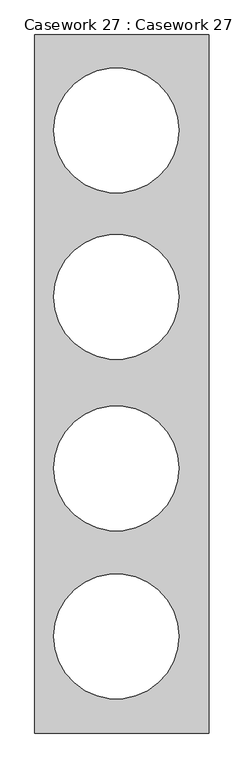
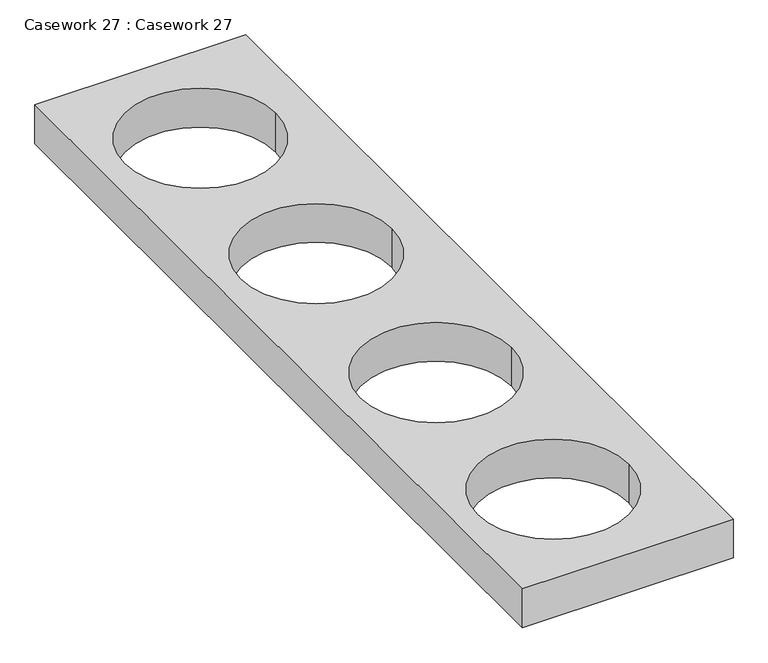
"""IFC4 building model written with IfcOpenShell, lengths in millimetres: furniture geometry, Casework 27 : Casework 27."""

from ifc_helpers import new_model, si_unit, point, frame, frame_2d, origin, place, context, project, spatial, polyline, circle_curve, trimmed, segment, composite_curve, outline, extrude, source, transform, mapped, element, save


def casework_27_casework_27_8cebd15c(model_context):
    return source(origin(), model_context, "Body", "SweptSolid", [
        extrude(outline(polyline([(-22175.852424, 16516.9523197), (-22175.852424, 13957.9630701), (-22815.1939615, 13957.9630701), (-22815.1939615, 16516.9523197), (-22175.852424, 16516.9523197)]), holes=[composite_curve([segment(trimmed(circle_curve(frame_2d((-22516.2328899, 14312.5614655)), 229.39375), [point((-22745.6266399, 14312.5614655))], [point((-22286.8391399, 14312.5614655))], True, "CARTESIAN"), True, "CONTINUOUS"), segment(trimmed(circle_curve(frame_2d((-22516.2328899, 14312.5614655)), 229.39375), [point((-22286.8391399, 14312.5614655))], [point((-22745.6266399, 14312.5614655))], True, "CARTESIAN"), True, "CONTINUOUS")], self_intersect=False), composite_curve([segment(trimmed(circle_curve(frame_2d((-22516.2328899, 14928.5114655)), 229.39375), [point((-22745.6266399, 14928.5114655))], [point((-22286.8391399, 14928.5114655))], True, "CARTESIAN"), True, "CONTINUOUS"), segment(trimmed(circle_curve(frame_2d((-22516.2328899, 14928.5114655)), 229.39375), [point((-22286.8391399, 14928.5114655))], [point((-22745.6266399, 14928.5114655))], True, "CARTESIAN"), True, "CONTINUOUS")], self_intersect=False), composite_curve([segment(trimmed(circle_curve(frame_2d((-22516.2328899, 15557.1614655)), 229.39375), [point((-22745.6266399, 15557.1614655))], [point((-22286.8391399, 15557.1614655))], True, "CARTESIAN"), True, "CONTINUOUS"), segment(trimmed(circle_curve(frame_2d((-22516.2328899, 15557.1614655)), 229.39375), [point((-22286.8391399, 15557.1614655))], [point((-22745.6266399, 15557.1614655))], True, "CARTESIAN"), True, "CONTINUOUS")], self_intersect=False), composite_curve([segment(trimmed(circle_curve(frame_2d((-22516.2328899, 16166.7614655)), 229.39375), [point((-22745.6266399, 16166.7614655))], [point((-22286.8391399, 16166.7614655))], True, "CARTESIAN"), True, "CONTINUOUS"), segment(trimmed(circle_curve(frame_2d((-22516.2328899, 16166.7614655)), 229.39375), [point((-22286.8391399, 16166.7614655))], [point((-22745.6266399, 16166.7614655))], True, "CARTESIAN"), True, "CONTINUOUS")], self_intersect=False)]), frame((0.0, 0.0, -5902.8159682), z_axis=(0.0, 0.0, 1.0), x_axis=(1.0, 0.0, 0.0)), (0.0, 0.0, 1.0), 124.4737476),
    ])


if __name__ == "__main__":
    model = new_model("IFC4")
    model_context = context("Model", 3, world=origin())
    ifc_project = project(units=[si_unit("LENGTHUNIT", "METRE", prefix="MILLI")], contexts=[model_context])
    site = spatial("IfcSite", under=ifc_project)
    building = spatial("IfcBuilding", under=site)
    placement = place(None, origin())
    casework_27_casework_27_shape = casework_27_casework_27_8cebd15c(model_context)
    element("IfcFurniture", 1, ObjectType="Casework 27 : Casework 27", at=placement, inside=building, context=model_context, shape_type="MappedRepresentation", body=[
        mapped(casework_27_casework_27_shape, transform((0.0, 0.0, 0.0), x_axis=(1.0, 0.0, 0.0), y_axis=(0.0, 1.0, 0.0), z_axis=(0.0, 0.0, 1.0))),
    ])
    save(model, "model.ifc")
